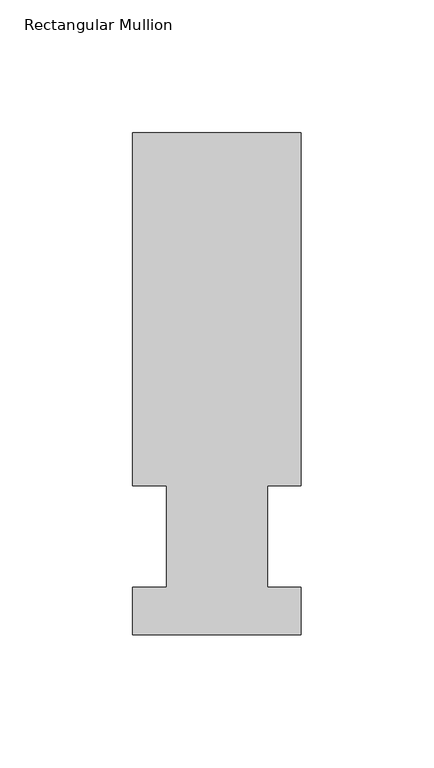
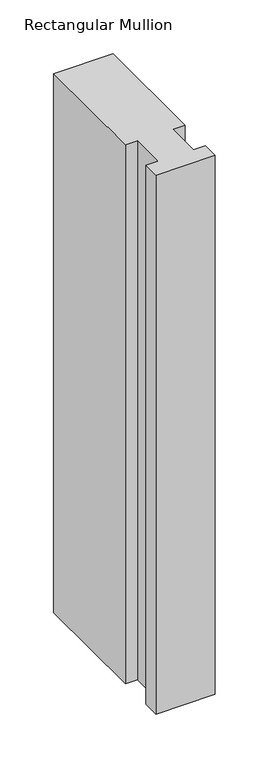
"""IFC4 building model written with IfcOpenShell, lengths in millimetres: member geometry, Rectangular Mullion."""

from ifc_helpers import new_model, si_unit, frame, origin, place, context, project, spatial, polyline, outline, extrude, source, transform, mapped, element, save


def rectangular_mullion_3990fefa(model_context):
    return source(origin(), model_context, "Body", "SweptSolid", [
        extrude(outline(polyline([(9e-07, 56.6539062), (-12.6872996, 56.6539062), (-12.6872996, 18.5539067), (5e-07, 18.5539067), (5e-07, 0.5199067), (-63.4999995, 0.5199067), (-63.4999995, 18.5539067), (-50.7999995, 18.5539067), (-50.7999995, 56.6539062), (-63.4999991, 56.6539062), (-63.4999991, 189.5975067), (9e-07, 189.5975067), (9e-07, 56.6539062)])), frame((0.0, 0.0, -609.6), z_axis=(0.0, 0.0, 1.0), x_axis=(1.0, 0.0, 0.0)), (0.0, 0.0, 1.0), 609.6),
    ])


if __name__ == "__main__":
    model = new_model("IFC4")
    model_context = context("Model", 3, world=origin())
    ifc_project = project(units=[si_unit("LENGTHUNIT", "METRE", prefix="MILLI")], contexts=[model_context])
    site = spatial("IfcSite", under=ifc_project)
    building = spatial("IfcBuilding", under=site)
    placement = place(None, origin())
    rectangular_mullion_shape = rectangular_mullion_3990fefa(model_context)
    element("IfcMember", 1, ObjectType="Rectangular Mullion", at=placement, inside=building, context=model_context, shape_type="MappedRepresentation", body=[
        mapped(rectangular_mullion_shape, transform((0.0, 0.0, 0.0), x_axis=(1.0, 0.0, 0.0), y_axis=(0.0, 1.0, 0.0), z_axis=(0.0, 0.0, 1.0))),
    ])
    save(model, "model.ifc")
